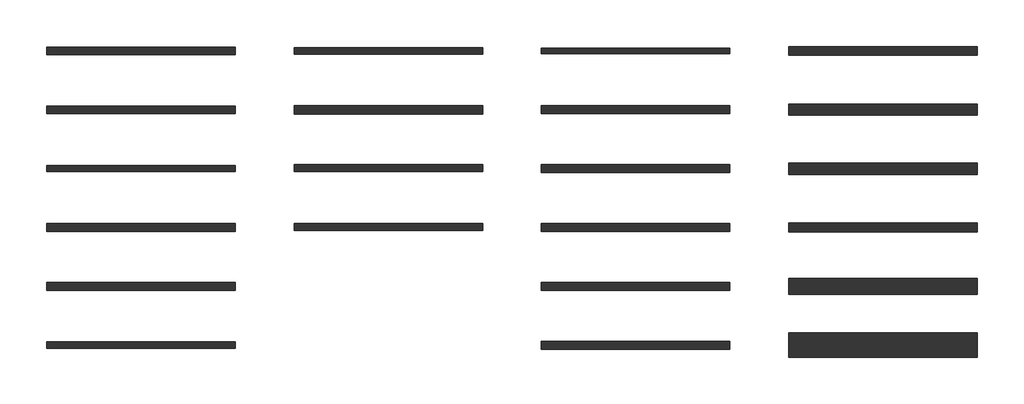
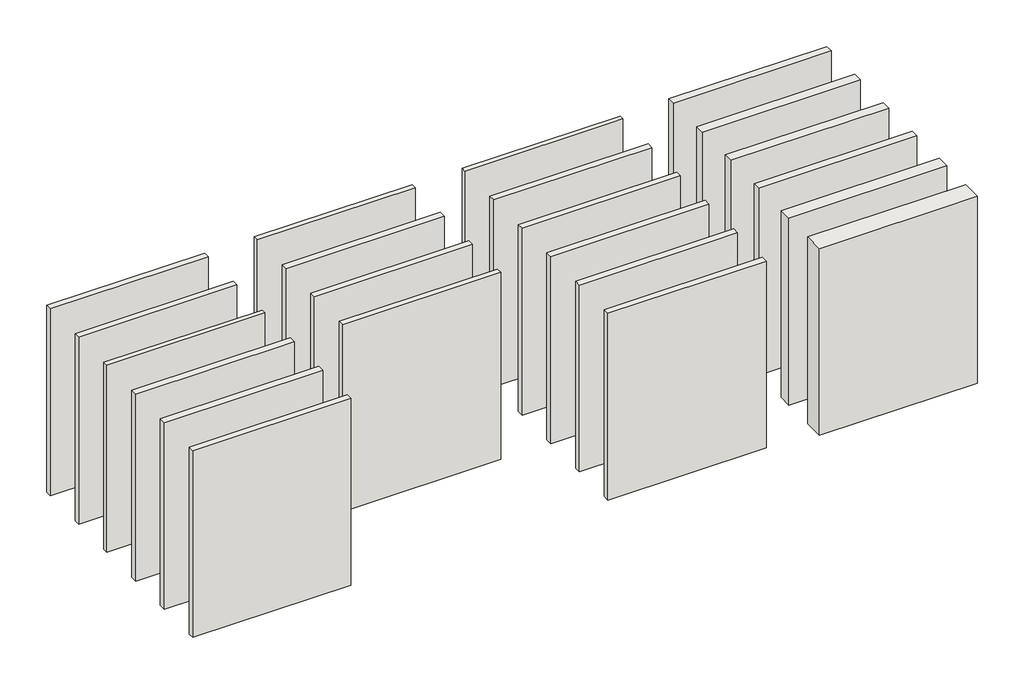
# One storey: 22 walls.
"""IFC4 building model written with IfcOpenShell, lengths in millimetres."""

from ifc_helpers import new_model, si_unit, origin, origin_with_axes, place, context, project, spatial, polyline, outline, extrude, element, save

model = new_model("IFC4")

# Units and contexts
model_context = context("Model", 3, world=origin())
ifc_project = project(units=[si_unit("LENGTHUNIT", "METRE", prefix="MILLI")], contexts=[model_context])

# Site, building, storey
site = spatial("IfcSite", under=ifc_project)
building = spatial("IfcBuilding", under=site)
storey = spatial("IfcBuildingStorey", under=building, Elevation=0.0)

# Walls
placement = place(None, origin())
element("IfcWall", 1, at=placement, inside=storey, context=model_context, shape_type="SweptSolid", body=[
    extrude(outline(polyline([(6392.5819475, 5902.3150755), (3192.5819475, 5902.3150755), (3192.5819475, 6027.3150755), (6392.5819475, 6027.3150755), (6392.5819475, 5902.3150755)])), origin_with_axes(), (0.0, 0.0, 1.0), 4000.0),
])
element("IfcWall", 2, at=placement, inside=storey, context=model_context, shape_type="SweptSolid", body=[
    extrude(outline(polyline([(6392.5819475, 4902.3150755), (3192.5819475, 4902.3150755), (3192.5819475, 5027.3150755), (6392.5819475, 5027.3150755), (6392.5819475, 4902.3150755)])), origin_with_axes(), (0.0, 0.0, 1.0), 4000.0),
])
element("IfcWall", 3, at=placement, inside=storey, context=model_context, shape_type="SweptSolid", body=[
    extrude(outline(polyline([(6392.5819475, 3914.8150755), (3192.5819475, 3914.8150755), (3192.5819475, 4014.8150755), (6392.5819475, 4014.8150755), (6392.5819475, 3914.8150755)])), origin_with_axes(), (0.0, 0.0, 1.0), 4000.0),
])
element("IfcWall", 4, at=placement, inside=storey, context=model_context, shape_type="SweptSolid", body=[
    extrude(outline(polyline([(6392.5819475, 2894.8150755), (3192.5819475, 2894.8150755), (3192.5819475, 3034.8150755), (6392.5819475, 3034.8150755), (6392.5819475, 2894.8150755)])), origin_with_axes(), (0.0, 0.0, 1.0), 4000.0),
])
element("IfcWall", 5, at=placement, inside=storey, context=model_context, shape_type="SweptSolid", body=[
    extrude(outline(polyline([(6392.5819475, 1894.8150755), (3192.5819475, 1894.8150755), (3192.5819475, 2034.8150755), (6392.5819475, 2034.8150755), (6392.5819475, 1894.8150755)])), origin_with_axes(), (0.0, 0.0, 1.0), 4000.0),
])
element("IfcWall", 6, at=placement, inside=storey, context=model_context, shape_type="SweptSolid", body=[
    extrude(outline(polyline([(6392.5819475, 907.3150755), (3192.5819475, 907.3150755), (3192.5819475, 1022.3150755), (6392.5819475, 1022.3150755), (6392.5819475, 907.3150755)])), origin_with_axes(), (0.0, 0.0, 1.0), 4000.0),
])
element("IfcWall", 7, at=placement, inside=storey, context=model_context, shape_type="SweptSolid", body=[
    extrude(outline(polyline([(10592.5819475, 5911.3150755), (7392.5819475, 5911.3150755), (7392.5819475, 6018.3150755), (10592.5819475, 6018.3150755), (10592.5819475, 5911.3150755)])), origin_with_axes(), (0.0, 0.0, 1.0), 4000.0),
])
element("IfcWall", 8, at=placement, inside=storey, context=model_context, shape_type="SweptSolid", body=[
    extrude(outline(polyline([(10592.5819475, 4893.8150755), (7392.5819475, 4893.8150755), (7392.5819475, 5035.8150755), (10592.5819475, 5035.8150755), (10592.5819475, 4893.8150755)])), origin_with_axes(), (0.0, 0.0, 1.0), 4000.0),
])
element("IfcWall", 9, at=placement, inside=storey, context=model_context, shape_type="SweptSolid", body=[
    extrude(outline(polyline([(10592.5819475, 3916.8150755), (7392.5819475, 3916.8150755), (7392.5819475, 4035.8150755), (10592.5819475, 4035.8150755), (10592.5819475, 3916.8150755)])), origin_with_axes(), (0.0, 0.0, 1.0), 4000.0),
])
element("IfcWall", 10, at=placement, inside=storey, context=model_context, shape_type="SweptSolid", body=[
    extrude(outline(polyline([(18992.5819475, 759.0650755), (15792.5819475, 759.0650755), (15792.5819475, 1170.5650755), (18992.5819475, 1170.5650755), (18992.5819475, 759.0650755)])), origin_with_axes(), (0.0, 0.0, 1.0), 4000.0),
])
element("IfcWall", 11, at=placement, inside=storey, context=model_context, shape_type="SweptSolid", body=[
    extrude(outline(polyline([(10592.5819475, 2916.8150755), (7392.5819475, 2916.8150755), (7392.5819475, 3035.8150755), (10592.5819475, 3035.8150755), (10592.5819475, 2916.8150755)])), origin_with_axes(), (0.0, 0.0, 1.0), 4000.0),
])
element("IfcWall", 12, at=placement, inside=storey, context=model_context, shape_type="SweptSolid", body=[
    extrude(outline(polyline([(14792.5819475, 5917.8150755), (11592.5819475, 5917.8150755), (11592.5819475, 6011.8150755), (14792.5819475, 6011.8150755), (14792.5819475, 5917.8150755)])), origin_with_axes(), (0.0, 0.0, 1.0), 4000.0),
])
element("IfcWall", 13, at=placement, inside=storey, context=model_context, shape_type="SweptSolid", body=[
    extrude(outline(polyline([(14792.5819475, 4897.8150755), (11592.5819475, 4897.8150755), (11592.5819475, 5031.8150755), (14792.5819475, 5031.8150755), (14792.5819475, 4897.8150755)])), origin_with_axes(), (0.0, 0.0, 1.0), 4000.0),
])
element("IfcWall", 14, at=placement, inside=storey, context=model_context, shape_type="SweptSolid", body=[
    extrude(outline(polyline([(14792.5819475, 3897.8150755), (11592.5819475, 3897.8150755), (11592.5819475, 4031.8150755), (14792.5819475, 4031.8150755), (14792.5819475, 3897.8150755)])), origin_with_axes(), (0.0, 0.0, 1.0), 4000.0),
])
element("IfcWall", 15, at=placement, inside=storey, context=model_context, shape_type="SweptSolid", body=[
    extrude(outline(polyline([(14792.5819475, 2896.8150755), (11592.5819475, 2896.8150755), (11592.5819475, 3032.8150755), (14792.5819475, 3032.8150755), (14792.5819475, 2896.8150755)])), origin_with_axes(), (0.0, 0.0, 1.0), 4000.0),
])
element("IfcWall", 16, at=placement, inside=storey, context=model_context, shape_type="SweptSolid", body=[
    extrude(outline(polyline([(14792.5819475, 1896.8150755), (11592.5819475, 1896.8150755), (11592.5819475, 2032.8150755), (14792.5819475, 2032.8150755), (14792.5819475, 1896.8150755)])), origin_with_axes(), (0.0, 0.0, 1.0), 4000.0),
])
element("IfcWall", 17, at=placement, inside=storey, context=model_context, shape_type="SweptSolid", body=[
    extrude(outline(polyline([(14792.5819475, 896.0150755), (11592.5819475, 896.0150755), (11592.5819475, 1033.6150755), (14792.5819475, 1033.6150755), (14792.5819475, 896.0150755)])), origin_with_axes(), (0.0, 0.0, 1.0), 4000.0),
])
element("IfcWall", 18, at=placement, inside=storey, context=model_context, shape_type="SweptSolid", body=[
    extrude(outline(polyline([(18992.5819475, 5889.3150755), (15792.5819475, 5889.3150755), (15792.5819475, 6040.3150755), (18992.5819475, 6040.3150755), (18992.5819475, 5889.3150755)])), origin_with_axes(), (0.0, 0.0, 1.0), 4000.0),
])
element("IfcWall", 19, at=placement, inside=storey, context=model_context, shape_type="SweptSolid", body=[
    extrude(outline(polyline([(18992.5819475, 4871.8150755), (15792.5819475, 4871.8150755), (15792.5819475, 5057.8150755), (18992.5819475, 5057.8150755), (18992.5819475, 4871.8150755)])), origin_with_axes(), (0.0, 0.0, 1.0), 4000.0),
])
element("IfcWall", 20, at=placement, inside=storey, context=model_context, shape_type="SweptSolid", body=[
    extrude(outline(polyline([(18992.5819475, 3866.8150755), (15792.5819475, 3866.8150755), (15792.5819475, 4062.8150755), (18992.5819475, 4062.8150755), (18992.5819475, 3866.8150755)])), origin_with_axes(), (0.0, 0.0, 1.0), 4000.0),
])
element("IfcWall", 21, at=placement, inside=storey, context=model_context, shape_type="SweptSolid", body=[
    extrude(outline(polyline([(18992.5819475, 2884.3150755), (15792.5819475, 2884.3150755), (15792.5819475, 3045.3150755), (18992.5819475, 3045.3150755), (18992.5819475, 2884.3150755)])), origin_with_axes(), (0.0, 0.0, 1.0), 4000.0),
])
element("IfcWall", 22, at=placement, inside=storey, context=model_context, shape_type="SweptSolid", body=[
    extrude(outline(polyline([(18992.5819475, 1829.3150755), (15792.5819475, 1829.3150755), (15792.5819475, 2100.3150755), (18992.5819475, 2100.3150755), (18992.5819475, 1829.3150755)])), origin_with_axes(), (0.0, 0.0, 1.0), 4000.0),
])

save(model, "model.ifc")
